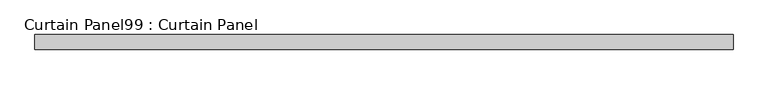
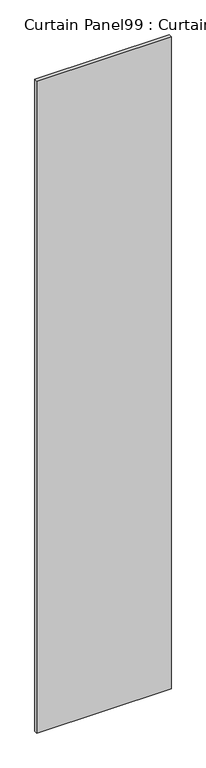
"""IFC4 building model written with IfcOpenShell, lengths in millimetres: plate geometry, Curtain Panel99 : Curtain Panel."""

import ifcopenshell
import ifcopenshell.guid

model = None  # the IFC model being written
_history = None  # IfcOwnerHistory: only IFC2X3 demands one
_inside = {}  # id of a spatial element -> (the spatial element, [elements in it])
_under = {}  # id of a project, library or spatial element -> (it, [spatial elements below it])
_declared = {}  # id of a project -> (the project, [libraries it declares])
_typed = {}  # id of a type object -> (the type object, [elements of that type])
_made_of = {}  # id of a material, layer set ... -> (it, [elements and type objects made of it])


def new_model(schema):
    """Start an empty IFC model of exactly this schema.

    Asked for "IFC4X3", IfcOpenShell would pick the latest addendum, in which some entities
    have other attributes; the version numbers below select the first issue.
    IFC2X3 requires an IfcOwnerHistory on every rooted entity: one is made here for all.
    """
    global model, _history
    if schema == "IFC4X3":
        model = ifcopenshell.file(schema_version=(4, 3, 0, 0))
    else:
        model = ifcopenshell.file(schema=schema)
    _inside.clear()
    _under.clear()
    _declared.clear()
    _typed.clear()
    _made_of.clear()
    _history = None
    if model.schema == "IFC2X3":
        org = make("IfcOrganization", Name="unknown")
        user = make(
            "IfcPersonAndOrganization",
            ThePerson=make("IfcPerson", FamilyName="unknown"),
            TheOrganization=org,
        )
        app = make(
            "IfcApplication",
            ApplicationDeveloper=org,
            Version="unknown",
            ApplicationFullName="unknown",
            ApplicationIdentifier="unknown",
        )
        _history = make(
            "IfcOwnerHistory",
            OwningUser=user,
            OwningApplication=app,
            ChangeAction="ADDED",
            CreationDate=0,
        )
    return model


def make(cls, **values):
    """One entity of the class cls with the attributes given. An attribute that is None is left unset."""
    return model.create_entity(
        cls, **{name: value for name, value in values.items() if value is not None}
    )


def rooted(cls, **values):
    """An entity with a GlobalId (a new one), such as an element, a storey or a relation."""
    return make(cls, GlobalId=ifcopenshell.guid.new(), OwnerHistory=_history, **values)


def si_unit(unit_type, name, prefix=None):
    """IfcSIUnit, for example si_unit("LENGTHUNIT", "METRE", prefix="MILLI")."""
    return make("IfcSIUnit", UnitType=unit_type, Prefix=prefix, Name=name)


def assignment(units):
    """IfcUnitAssignment: the units of a project."""
    return None if units is None else make("IfcUnitAssignment", Units=units)


def point(xyz):
    """IfcCartesianPoint."""
    return None if xyz is None else make("IfcCartesianPoint", Coordinates=xyz)


def direction(xyz):
    """IfcDirection."""
    return None if xyz is None else make("IfcDirection", DirectionRatios=xyz)


def frame(location, z_axis=None, x_axis=None):
    """IfcAxis2Placement3D, a coordinate frame: its origin and axes. An axis left out is left unset."""
    return make(
        "IfcAxis2Placement3D",
        Location=point(location),
        Axis=direction(z_axis),
        RefDirection=direction(x_axis),
    )


def origin():
    """The frame at (0, 0, 0) with its axes left unset."""
    return frame((0.0, 0.0, 0.0))


def place(relative_to, where):
    """IfcLocalPlacement: puts the frame where relative to a parent placement (None: the world)."""
    return make(
        "IfcLocalPlacement", PlacementRelTo=relative_to, RelativePlacement=where
    )


def context(
    kind, dimensions, precision=None, world=None, true_north=None, identifier=None
):
    """IfcGeometricRepresentationContext, for example the 3D "Model" context."""
    return make(
        "IfcGeometricRepresentationContext",
        ContextIdentifier=identifier,
        ContextType=kind,
        CoordinateSpaceDimension=dimensions,
        Precision=precision,
        WorldCoordinateSystem=world,
        TrueNorth=true_north,
    )


def project(units=None, contexts=None):
    """IfcProject with its units and contexts."""
    return rooted(
        "IfcProject",
        Name="project",
        RepresentationContexts=contexts,
        UnitsInContext=assignment(units),
    )


def spatial(cls, under=None, at=None, **own):
    """A site, building, storey or space (cls), placed at a placement, below another one or the project."""
    s = rooted(cls, ObjectPlacement=at, **own)
    if under is not None:
        _under.setdefault(under.id(), (under, []))[1].append(s)
    return s


def polyline(points):
    """IfcPolyline through the points."""
    return make("IfcPolyline", Points=[point(p) for p in points])


def outline(outer, holes=None, kind="AREA"):
    """IfcArbitraryClosedProfileDef: a profile drawn as a closed curve; with holes, ...WithVoids."""
    if holes is None:
        return make("IfcArbitraryClosedProfileDef", ProfileType=kind, OuterCurve=outer)
    return make(
        "IfcArbitraryProfileDefWithVoids",
        ProfileType=kind,
        OuterCurve=outer,
        InnerCurves=holes,
    )


def extrude(swept, where, along, depth):
    """IfcExtrudedAreaSolid: the profile swept, set in the frame where, extruded along a direction by depth."""
    return make(
        "IfcExtrudedAreaSolid",
        SweptArea=swept,
        Position=where,
        ExtrudedDirection=direction(along),
        Depth=depth,
    )


def shape(context_of_items, identifier, shape_type, items):
    """IfcShapeRepresentation: the items that make up one representation, for example the "Body"."""
    return make(
        "IfcShapeRepresentation",
        ContextOfItems=context_of_items,
        RepresentationIdentifier=identifier,
        RepresentationType=shape_type,
        Items=items,
    )


def source(mapping_origin, context_of_items, identifier, shape_type, items):
    """IfcRepresentationMap: a shape defined once, which mapped items show again and again."""
    return make(
        "IfcRepresentationMap",
        MappingOrigin=mapping_origin,
        MappedRepresentation=shape(context_of_items, identifier, shape_type, items),
    )


def transform(
    local_origin,
    x_axis=None,
    y_axis=None,
    z_axis=None,
    scale=None,
    scale2=None,
    scale3=None,
    uniform=True,
):
    """IfcCartesianTransformationOperator3D, or its non-uniform kind. x_axis, y_axis, z_axis: its Axis1, 2, 3."""
    if uniform:
        return make(
            "IfcCartesianTransformationOperator3D",
            Axis1=direction(x_axis),
            Axis2=direction(y_axis),
            LocalOrigin=point(local_origin),
            Scale=scale,
            Axis3=direction(z_axis),
        )
    return make(
        "IfcCartesianTransformationOperator3DnonUniform",
        Axis1=direction(x_axis),
        Axis2=direction(y_axis),
        LocalOrigin=point(local_origin),
        Scale=scale,
        Axis3=direction(z_axis),
        Scale2=scale2,
        Scale3=scale3,
    )


def mapped(mapping_source, mapping_target):
    """IfcMappedItem: shows the shape of a source again, moved by a transform."""
    return make(
        "IfcMappedItem", MappingSource=mapping_source, MappingTarget=mapping_target
    )


def made_of(thing, what):
    """Note that an element or type object is made of a material, layer set ...; save() writes the relation."""
    if what is not None:
        _made_of.setdefault(what.id(), (what, []))[1].append(thing)
    return thing


def element(
    cls,
    number,
    at=None,
    inside=None,
    cuts=None,
    type_object=None,
    material=None,
    context=None,
    identifier="Body",
    shape_type=None,
    held_by="IfcProductDefinitionShape",
    body=None,
    shapes=None,
    **own,
):
    """One element of the class cls, such as IfcWall. Its Tag is "e" and its number.

    at: its placement. inside: the storey or other place that contains it. cuts: it is an
    opening in that element (IfcRelVoidsElement). A single representation is given by context,
    identifier, shape_type and body (its items); several are given by shapes. held_by: the class
    of the entity that holds the representations. save() writes the other relations.
    """
    e = rooted(cls, Tag="e%d" % number, ObjectPlacement=at, **own)
    if body is not None:
        shapes = [shape(context, identifier, shape_type, body)]
    if shapes is not None:
        e.Representation = make(held_by, Representations=shapes)
    if inside is not None:
        _inside.setdefault(inside.id(), (inside, []))[1].append(e)
    if cuts is not None:
        rooted(
            "IfcRelVoidsElement", RelatingBuildingElement=cuts, RelatedOpeningElement=e
        )
    if type_object is not None:
        _typed.setdefault(type_object.id(), (type_object, []))[1].append(e)
    return made_of(e, material)


def aggregate(whole, parts):
    """IfcRelAggregates: a whole, such as a stair, and the parts it consists of."""
    return rooted("IfcRelAggregates", RelatingObject=whole, RelatedObjects=parts)


def save(model, path):
    """Write the relations noted so far, then the file.

    IfcRelAggregates (storeys below a building ...), IfcRelContainedInSpatialStructure (elements
    in a storey), IfcRelDefinesByType, IfcRelAssociatesMaterial and IfcRelDeclares: one each for
    every whole, place, type object, material and project.
    """
    for whole, parts in _under.values():
        aggregate(whole, parts)
    for where, things in _inside.values():
        rooted(
            "IfcRelContainedInSpatialStructure",
            RelatedElements=things,
            RelatingStructure=where,
        )
    for kind, things in _typed.values():
        rooted("IfcRelDefinesByType", RelatedObjects=things, RelatingType=kind)
    for what, things in _made_of.values():
        rooted("IfcRelAssociatesMaterial", RelatedObjects=things, RelatingMaterial=what)
    for by, libraries in _declared.values():
        rooted("IfcRelDeclares", RelatingContext=by, RelatedDefinitions=libraries)
    model.write(path)


def curtain_panel99_curtain_panel_f5ca1137(model_context):
    return source(origin(), model_context, "Body", "SweptSolid", [
        extrude(outline(polyline([(226250.1386393, 2341.4234836), (225044.2373669, 2341.4234836), (225044.2373669, 2366.8234836), (226250.1386393, 2366.8234836), (226250.1386393, 2341.4234836)])), frame((0.0, 0.0, 4914.2249337), z_axis=(0.0, 0.0, 1.0), x_axis=(1.0, 0.0, 0.0)), (0.0, 0.0, 1.0), 6181.5245183),
    ])


if __name__ == "__main__":
    model = new_model("IFC4")
    model_context = context("Model", 3, world=origin())
    ifc_project = project(units=[si_unit("LENGTHUNIT", "METRE", prefix="MILLI")], contexts=[model_context])
    site = spatial("IfcSite", under=ifc_project)
    building = spatial("IfcBuilding", under=site)
    placement = place(None, origin())
    curtain_panel99_curtain_panel_shape = curtain_panel99_curtain_panel_f5ca1137(model_context)
    element("IfcPlate", 1, ObjectType="Curtain Panel99 : Curtain Panel", at=placement, inside=building, context=model_context, shape_type="MappedRepresentation", body=[
        mapped(curtain_panel99_curtain_panel_shape, transform((0.0, 0.0, 0.0), x_axis=(1.0, 0.0, 0.0), y_axis=(0.0, 1.0, 0.0), z_axis=(0.0, 0.0, 1.0))),
    ])
    save(model, "model.ifc")
